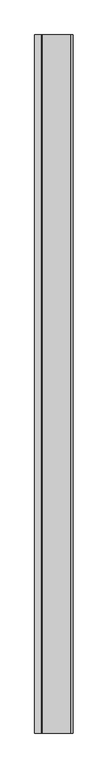
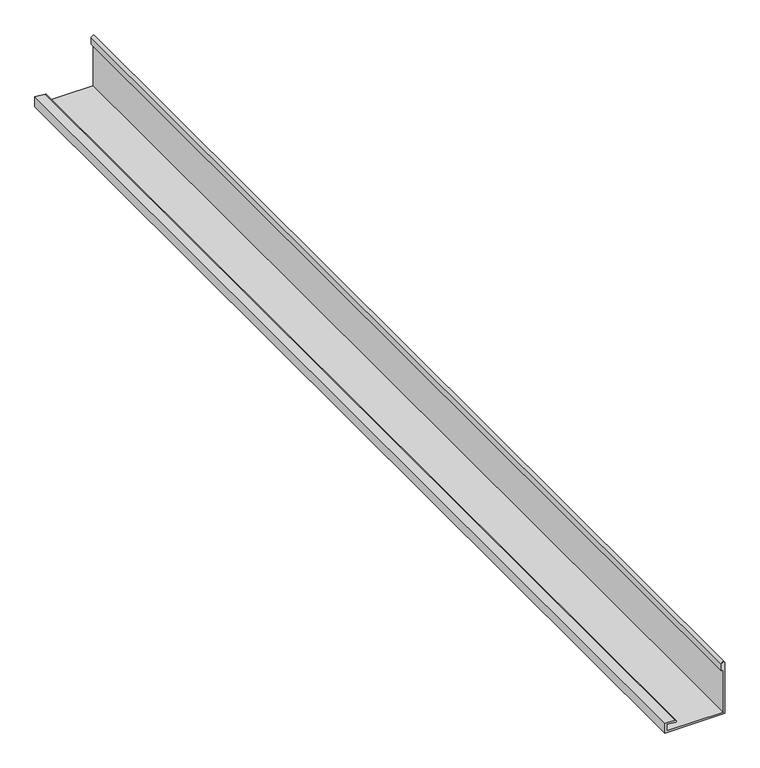
"""IFC4 building model written with IfcOpenShell, lengths in millimetres: proxy geometry."""

from ifc_helpers import new_model, si_unit, point, frame, frame_2d, origin, place, context, project, spatial, polyline, circle_curve, trimmed, segment, composite_curve, outline, extrude, source, transform, mapped, element, save


def generic_models_38587d74(model_context):
    return source(origin(), model_context, "Body", "SweptSolid", [
        extrude(outline(composite_curve([segment(polyline([(3799.2452806, -11769.3841468), (3799.2452806, -11599.3841468), (3949.6655464, -11599.3841468)]), True, "CONTINUOUS"), segment(trimmed(circle_curve(frame_2d((3949.6655464, -11604.3841468)), 5.0), [point((3949.6655464, -11599.3841468))], [point((3949.6655464, -11609.3841468))], False, "CARTESIAN"), True, "CONTINUOUS"), segment(polyline([(3949.6655464, -11609.3841468), (3929.6655464, -11609.3841468), (3929.6655464, -11604.3841468), (3804.2452806, -11604.3841468), (3804.2452806, -11764.3841468), (3823.7887381, -11764.3841468), (3821.6496348, -11739.9340846)]), True, "CONTINUOUS"), segment(trimmed(circle_curve(frame_2d((3824.1401216, -11739.7161952)), 2.5), [point((3821.6496348, -11739.9340846))], [point((3826.6306083, -11739.4983059))], False, "CARTESIAN"), True, "CONTINUOUS"), segment(polyline([(3826.6306083, -11739.4983059), (3829.2452806, -11769.3841468), (3799.2452806, -11769.3841468)]), True, "CONTINUOUS")], self_intersect=False)), frame((0.0, -1338.3711554, 0.0), z_axis=(0.0, 1.0, 0.0), x_axis=(0.0, 0.0, 1.0)), (0.0, 0.0, 1.0), 3090.0),
    ])


if __name__ == "__main__":
    model = new_model("IFC4")
    model_context = context("Model", 3, world=origin())
    ifc_project = project(units=[si_unit("LENGTHUNIT", "METRE", prefix="MILLI")], contexts=[model_context])
    site = spatial("IfcSite", under=ifc_project)
    building = spatial("IfcBuilding", under=site)
    placement = place(None, origin())
    generic_models_shape = generic_models_38587d74(model_context)
    element("IfcBuildingElementProxy", 1, Name="Generic Models", at=placement, inside=building, context=model_context, shape_type="MappedRepresentation", body=[
        mapped(generic_models_shape, transform((0.0, 0.0, 0.0), x_axis=(1.0, 0.0, 0.0), y_axis=(0.0, 1.0, 0.0), z_axis=(0.0, 0.0, 1.0))),
    ])
    save(model, "model.ifc")
